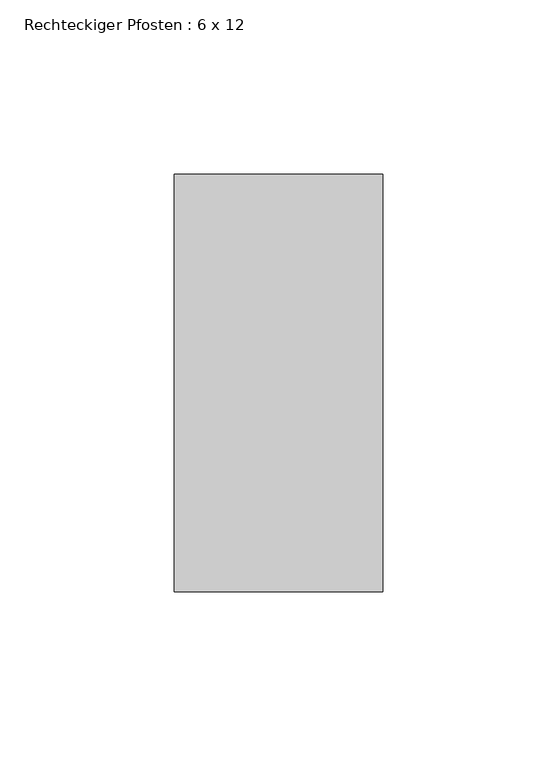
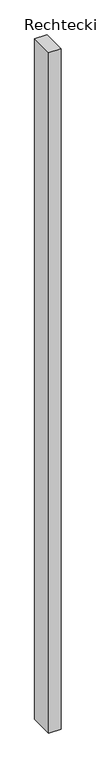
"""IFC4 building model written with IfcOpenShell, lengths in millimetres: member geometry, Rechteckiger Pfosten : 6 x 12."""

import ifcopenshell
import ifcopenshell.guid

model = None  # the IFC model being written
_history = None  # IfcOwnerHistory: only IFC2X3 demands one
_inside = {}  # id of a spatial element -> (the spatial element, [elements in it])
_under = {}  # id of a project, library or spatial element -> (it, [spatial elements below it])
_declared = {}  # id of a project -> (the project, [libraries it declares])
_typed = {}  # id of a type object -> (the type object, [elements of that type])
_made_of = {}  # id of a material, layer set ... -> (it, [elements and type objects made of it])


def new_model(schema):
    """Start an empty IFC model of exactly this schema.

    Asked for "IFC4X3", IfcOpenShell would pick the latest addendum, in which some entities
    have other attributes; the version numbers below select the first issue.
    IFC2X3 requires an IfcOwnerHistory on every rooted entity: one is made here for all.
    """
    global model, _history
    if schema == "IFC4X3":
        model = ifcopenshell.file(schema_version=(4, 3, 0, 0))
    else:
        model = ifcopenshell.file(schema=schema)
    _inside.clear()
    _under.clear()
    _declared.clear()
    _typed.clear()
    _made_of.clear()
    _history = None
    if model.schema == "IFC2X3":
        org = make("IfcOrganization", Name="unknown")
        user = make(
            "IfcPersonAndOrganization",
            ThePerson=make("IfcPerson", FamilyName="unknown"),
            TheOrganization=org,
        )
        app = make(
            "IfcApplication",
            ApplicationDeveloper=org,
            Version="unknown",
            ApplicationFullName="unknown",
            ApplicationIdentifier="unknown",
        )
        _history = make(
            "IfcOwnerHistory",
            OwningUser=user,
            OwningApplication=app,
            ChangeAction="ADDED",
            CreationDate=0,
        )
    return model


def make(cls, **values):
    """One entity of the class cls with the attributes given. An attribute that is None is left unset."""
    return model.create_entity(
        cls, **{name: value for name, value in values.items() if value is not None}
    )


def rooted(cls, **values):
    """An entity with a GlobalId (a new one), such as an element, a storey or a relation."""
    return make(cls, GlobalId=ifcopenshell.guid.new(), OwnerHistory=_history, **values)


def si_unit(unit_type, name, prefix=None):
    """IfcSIUnit, for example si_unit("LENGTHUNIT", "METRE", prefix="MILLI")."""
    return make("IfcSIUnit", UnitType=unit_type, Prefix=prefix, Name=name)


def assignment(units):
    """IfcUnitAssignment: the units of a project."""
    return None if units is None else make("IfcUnitAssignment", Units=units)


def point(xyz):
    """IfcCartesianPoint."""
    return None if xyz is None else make("IfcCartesianPoint", Coordinates=xyz)


def direction(xyz):
    """IfcDirection."""
    return None if xyz is None else make("IfcDirection", DirectionRatios=xyz)


def frame(location, z_axis=None, x_axis=None):
    """IfcAxis2Placement3D, a coordinate frame: its origin and axes. An axis left out is left unset."""
    return make(
        "IfcAxis2Placement3D",
        Location=point(location),
        Axis=direction(z_axis),
        RefDirection=direction(x_axis),
    )


def origin():
    """The frame at (0, 0, 0) with its axes left unset."""
    return frame((0.0, 0.0, 0.0))


def place(relative_to, where):
    """IfcLocalPlacement: puts the frame where relative to a parent placement (None: the world)."""
    return make(
        "IfcLocalPlacement", PlacementRelTo=relative_to, RelativePlacement=where
    )


def context(
    kind, dimensions, precision=None, world=None, true_north=None, identifier=None
):
    """IfcGeometricRepresentationContext, for example the 3D "Model" context."""
    return make(
        "IfcGeometricRepresentationContext",
        ContextIdentifier=identifier,
        ContextType=kind,
        CoordinateSpaceDimension=dimensions,
        Precision=precision,
        WorldCoordinateSystem=world,
        TrueNorth=true_north,
    )


def project(units=None, contexts=None):
    """IfcProject with its units and contexts."""
    return rooted(
        "IfcProject",
        Name="project",
        RepresentationContexts=contexts,
        UnitsInContext=assignment(units),
    )


def spatial(cls, under=None, at=None, **own):
    """A site, building, storey or space (cls), placed at a placement, below another one or the project."""
    s = rooted(cls, ObjectPlacement=at, **own)
    if under is not None:
        _under.setdefault(under.id(), (under, []))[1].append(s)
    return s


def polyline(points):
    """IfcPolyline through the points."""
    return make("IfcPolyline", Points=[point(p) for p in points])


def outline(outer, holes=None, kind="AREA"):
    """IfcArbitraryClosedProfileDef: a profile drawn as a closed curve; with holes, ...WithVoids."""
    if holes is None:
        return make("IfcArbitraryClosedProfileDef", ProfileType=kind, OuterCurve=outer)
    return make(
        "IfcArbitraryProfileDefWithVoids",
        ProfileType=kind,
        OuterCurve=outer,
        InnerCurves=holes,
    )


def extrude(swept, where, along, depth):
    """IfcExtrudedAreaSolid: the profile swept, set in the frame where, extruded along a direction by depth."""
    return make(
        "IfcExtrudedAreaSolid",
        SweptArea=swept,
        Position=where,
        ExtrudedDirection=direction(along),
        Depth=depth,
    )


def shape(context_of_items, identifier, shape_type, items):
    """IfcShapeRepresentation: the items that make up one representation, for example the "Body"."""
    return make(
        "IfcShapeRepresentation",
        ContextOfItems=context_of_items,
        RepresentationIdentifier=identifier,
        RepresentationType=shape_type,
        Items=items,
    )


def source(mapping_origin, context_of_items, identifier, shape_type, items):
    """IfcRepresentationMap: a shape defined once, which mapped items show again and again."""
    return make(
        "IfcRepresentationMap",
        MappingOrigin=mapping_origin,
        MappedRepresentation=shape(context_of_items, identifier, shape_type, items),
    )


def transform(
    local_origin,
    x_axis=None,
    y_axis=None,
    z_axis=None,
    scale=None,
    scale2=None,
    scale3=None,
    uniform=True,
):
    """IfcCartesianTransformationOperator3D, or its non-uniform kind. x_axis, y_axis, z_axis: its Axis1, 2, 3."""
    if uniform:
        return make(
            "IfcCartesianTransformationOperator3D",
            Axis1=direction(x_axis),
            Axis2=direction(y_axis),
            LocalOrigin=point(local_origin),
            Scale=scale,
            Axis3=direction(z_axis),
        )
    return make(
        "IfcCartesianTransformationOperator3DnonUniform",
        Axis1=direction(x_axis),
        Axis2=direction(y_axis),
        LocalOrigin=point(local_origin),
        Scale=scale,
        Axis3=direction(z_axis),
        Scale2=scale2,
        Scale3=scale3,
    )


def mapped(mapping_source, mapping_target):
    """IfcMappedItem: shows the shape of a source again, moved by a transform."""
    return make(
        "IfcMappedItem", MappingSource=mapping_source, MappingTarget=mapping_target
    )


def made_of(thing, what):
    """Note that an element or type object is made of a material, layer set ...; save() writes the relation."""
    if what is not None:
        _made_of.setdefault(what.id(), (what, []))[1].append(thing)
    return thing


def element(
    cls,
    number,
    at=None,
    inside=None,
    cuts=None,
    type_object=None,
    material=None,
    context=None,
    identifier="Body",
    shape_type=None,
    held_by="IfcProductDefinitionShape",
    body=None,
    shapes=None,
    **own,
):
    """One element of the class cls, such as IfcWall. Its Tag is "e" and its number.

    at: its placement. inside: the storey or other place that contains it. cuts: it is an
    opening in that element (IfcRelVoidsElement). A single representation is given by context,
    identifier, shape_type and body (its items); several are given by shapes. held_by: the class
    of the entity that holds the representations. save() writes the other relations.
    """
    e = rooted(cls, Tag="e%d" % number, ObjectPlacement=at, **own)
    if body is not None:
        shapes = [shape(context, identifier, shape_type, body)]
    if shapes is not None:
        e.Representation = make(held_by, Representations=shapes)
    if inside is not None:
        _inside.setdefault(inside.id(), (inside, []))[1].append(e)
    if cuts is not None:
        rooted(
            "IfcRelVoidsElement", RelatingBuildingElement=cuts, RelatedOpeningElement=e
        )
    if type_object is not None:
        _typed.setdefault(type_object.id(), (type_object, []))[1].append(e)
    return made_of(e, material)


def aggregate(whole, parts):
    """IfcRelAggregates: a whole, such as a stair, and the parts it consists of."""
    return rooted("IfcRelAggregates", RelatingObject=whole, RelatedObjects=parts)


def save(model, path):
    """Write the relations noted so far, then the file.

    IfcRelAggregates (storeys below a building ...), IfcRelContainedInSpatialStructure (elements
    in a storey), IfcRelDefinesByType, IfcRelAssociatesMaterial and IfcRelDeclares: one each for
    every whole, place, type object, material and project.
    """
    for whole, parts in _under.values():
        aggregate(whole, parts)
    for where, things in _inside.values():
        rooted(
            "IfcRelContainedInSpatialStructure",
            RelatedElements=things,
            RelatingStructure=where,
        )
    for kind, things in _typed.values():
        rooted("IfcRelDefinesByType", RelatedObjects=things, RelatingType=kind)
    for what, things in _made_of.values():
        rooted("IfcRelAssociatesMaterial", RelatedObjects=things, RelatingMaterial=what)
    for by, libraries in _declared.values():
        rooted("IfcRelDeclares", RelatingContext=by, RelatedDefinitions=libraries)
    model.write(path)


def rechteckiger_pfosten_6_x_12_bdd55837(model_context):
    return source(origin(), model_context, "Body", "SweptSolid", [
        extrude(outline(polyline([(30.0, 60.0), (30.0, -60.0), (-30.0, -60.0), (-30.0, 60.0), (30.0, 60.0)])), frame((0.0, 0.0, -3548.4911435), z_axis=(0.0, 0.0, 1.0), x_axis=(1.0, 0.0, 0.0)), (0.0, 0.0, 1.0), 3548.4911435),
    ])


if __name__ == "__main__":
    model = new_model("IFC4")
    model_context = context("Model", 3, world=origin())
    ifc_project = project(units=[si_unit("LENGTHUNIT", "METRE", prefix="MILLI")], contexts=[model_context])
    site = spatial("IfcSite", under=ifc_project)
    building = spatial("IfcBuilding", under=site)
    placement = place(None, origin())
    rechteckiger_pfosten_6_x_12_shape = rechteckiger_pfosten_6_x_12_bdd55837(model_context)
    element("IfcMember", 1, ObjectType="Rechteckiger Pfosten : 6 x 12", at=placement, inside=building, context=model_context, shape_type="MappedRepresentation", body=[
        mapped(rechteckiger_pfosten_6_x_12_shape, transform((0.0, 0.0, 0.0), x_axis=(1.0, 0.0, 0.0), y_axis=(0.0, 1.0, 0.0), z_axis=(0.0, 0.0, 1.0))),
    ])
    save(model, "model.ifc")
